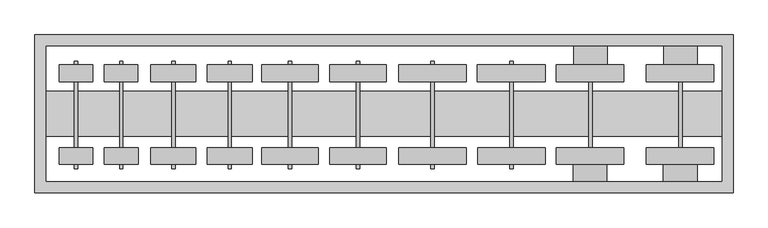
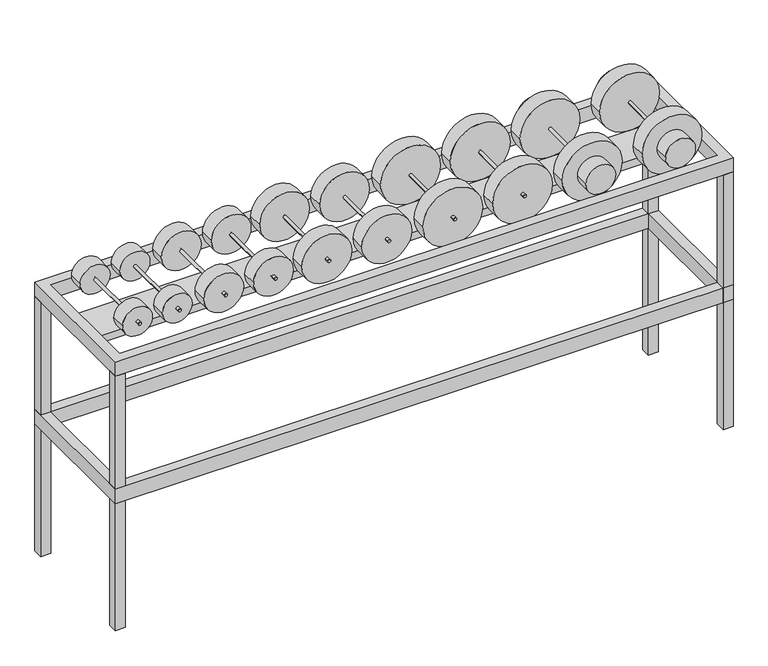
"""IFC4 building model written with IfcOpenShell, lengths in millimetres: proxy geometry."""

from ifc_helpers import new_model, si_unit, point, frame, frame_2d, origin, origin_with_axes, place, context, project, spatial, polyline, circle_curve, trimmed, segment, composite_curve, outline, extrude, source, transform, mapped, element, save


def specialty_equipment_7b80355f(model_context):
    return source(origin(), model_context, "Body", "SweptSolid", [
        extrude(outline(composite_curve([segment(trimmed(circle_curve(frame_2d((154.4606082, 1473.6953579)), 7.8489452), [point((154.4606082, 1481.5443031))], [point((154.4606082, 1465.8464127))], False, "CARTESIAN"), True, "CONTINUOUS"), segment(trimmed(circle_curve(frame_2d((154.4606082, 1473.6953579)), 7.8489452), [point((154.4606082, 1465.8464127))], [point((154.4606082, 1481.5443031))], False, "CARTESIAN"), True, "CONTINUOUS")], self_intersect=False)), frame((0.0, -89.1618249, 0.0), z_axis=(0.0, 1.0, 0.0), x_axis=(0.0, 0.0, 1.0)), (0.0, 0.0, 1.0), 555.3477574),
        extrude(outline(composite_curve([segment(trimmed(circle_curve(frame_2d((154.4606082, 1472.5227651)), 152.4), [point((154.4606082, 1624.9227651))], [point((154.4606082, 1320.1227651))], False, "CARTESIAN"), True, "CONTINUOUS"), segment(trimmed(circle_curve(frame_2d((154.4606082, 1472.5227651)), 152.4), [point((154.4606082, 1320.1227651))], [point((154.4606082, 1624.9227651))], False, "CARTESIAN"), True, "CONTINUOUS")], self_intersect=False)), frame((0.0, -32.5823092, 0.0), z_axis=(0.0, 1.0, 0.0), x_axis=(0.0, 0.0, 1.0)), (0.0, 0.0, 1.0), 76.2),
        extrude(outline(composite_curve([segment(trimmed(circle_curve(frame_2d((154.4606082, 1472.3428206)), 152.4), [point((154.4606082, 1624.7428206))], [point((154.4606082, 1319.9428206))], False, "CARTESIAN"), True, "CONTINUOUS"), segment(trimmed(circle_curve(frame_2d((154.4606082, 1472.3428206)), 152.4), [point((154.4606082, 1319.9428206))], [point((154.4606082, 1624.7428206))], False, "CARTESIAN"), True, "CONTINUOUS")], self_intersect=False)), frame((0.0, 341.3226899, 0.0), z_axis=(0.0, 1.0, 0.0), x_axis=(0.0, 0.0, 1.0)), (0.0, 0.0, 1.0), 76.2),
        extrude(outline(composite_curve([segment(trimmed(circle_curve(frame_2d((154.4606082, 1473.9392515)), 76.2), [point((154.4606082, 1397.7392515))], [point((154.4606082, 1550.1392515))], False, "CARTESIAN"), True, "CONTINUOUS"), segment(trimmed(circle_curve(frame_2d((154.4606082, 1473.9392515)), 76.2), [point((154.4606082, 1550.1392515))], [point((154.4606082, 1397.7392515))], False, "CARTESIAN"), True, "CONTINUOUS")], self_intersect=False)), frame((0.0, 417.5226899, 0.0), z_axis=(0.0, 1.0, 0.0), x_axis=(0.0, 0.0, 1.0)), (0.0, 0.0, 1.0), 83.2665617),
        extrude(outline(composite_curve([segment(trimmed(circle_curve(frame_2d((154.4606082, 1472.2053565)), 76.2), [point((154.4606082, 1396.0053565))], [point((154.4606082, 1548.4053565))], False, "CARTESIAN"), True, "CONTINUOUS"), segment(trimmed(circle_curve(frame_2d((154.4606082, 1472.2053565)), 76.2), [point((154.4606082, 1548.4053565))], [point((154.4606082, 1396.0053565))], False, "CARTESIAN"), True, "CONTINUOUS")], self_intersect=False)), frame((0.0, -108.7823092, 0.0), z_axis=(0.0, 1.0, 0.0), x_axis=(0.0, 0.0, 1.0)), (0.0, 0.0, 1.0), 76.2),
        extrude(outline(composite_curve([segment(trimmed(circle_curve(frame_2d((154.4606082, 1880.0953579)), 7.8489452), [point((154.4606082, 1887.9443031))], [point((154.4606082, 1872.2464127))], False, "CARTESIAN"), True, "CONTINUOUS"), segment(trimmed(circle_curve(frame_2d((154.4606082, 1880.0953579)), 7.8489452), [point((154.4606082, 1872.2464127))], [point((154.4606082, 1887.9443031))], False, "CARTESIAN"), True, "CONTINUOUS")], self_intersect=False)), frame((0.0, -89.1618249, 0.0), z_axis=(0.0, 1.0, 0.0), x_axis=(0.0, 0.0, 1.0)), (0.0, 0.0, 1.0), 555.3477574),
        extrude(outline(composite_curve([segment(trimmed(circle_curve(frame_2d((154.4606082, 1878.9227651)), 152.4), [point((154.4606082, 2031.3227651))], [point((154.4606082, 1726.5227651))], False, "CARTESIAN"), True, "CONTINUOUS"), segment(trimmed(circle_curve(frame_2d((154.4606082, 1878.9227651)), 152.4), [point((154.4606082, 1726.5227651))], [point((154.4606082, 2031.3227651))], False, "CARTESIAN"), True, "CONTINUOUS")], self_intersect=False)), frame((0.0, -32.5823092, 0.0), z_axis=(0.0, 1.0, 0.0), x_axis=(0.0, 0.0, 1.0)), (0.0, 0.0, 1.0), 76.2),
        extrude(outline(composite_curve([segment(trimmed(circle_curve(frame_2d((154.4606082, 1878.7428206)), 152.4), [point((154.4606082, 2031.1428206))], [point((154.4606082, 1726.3428206))], False, "CARTESIAN"), True, "CONTINUOUS"), segment(trimmed(circle_curve(frame_2d((154.4606082, 1878.7428206)), 152.4), [point((154.4606082, 1726.3428206))], [point((154.4606082, 2031.1428206))], False, "CARTESIAN"), True, "CONTINUOUS")], self_intersect=False)), frame((0.0, 341.3226899, 0.0), z_axis=(0.0, 1.0, 0.0), x_axis=(0.0, 0.0, 1.0)), (0.0, 0.0, 1.0), 76.2),
        extrude(outline(composite_curve([segment(trimmed(circle_curve(frame_2d((154.4606082, 1880.3392515)), 76.2), [point((154.4606082, 1804.1392515))], [point((154.4606082, 1956.5392515))], False, "CARTESIAN"), True, "CONTINUOUS"), segment(trimmed(circle_curve(frame_2d((154.4606082, 1880.3392515)), 76.2), [point((154.4606082, 1956.5392515))], [point((154.4606082, 1804.1392515))], False, "CARTESIAN"), True, "CONTINUOUS")], self_intersect=False)), frame((0.0, 417.5226899, 0.0), z_axis=(0.0, 1.0, 0.0), x_axis=(0.0, 0.0, 1.0)), (0.0, 0.0, 1.0), 83.2665617),
        extrude(outline(composite_curve([segment(trimmed(circle_curve(frame_2d((154.4606082, 1878.6053565)), 76.2), [point((154.4606082, 1802.4053565))], [point((154.4606082, 1954.8053565))], False, "CARTESIAN"), True, "CONTINUOUS"), segment(trimmed(circle_curve(frame_2d((154.4606082, 1878.6053565)), 76.2), [point((154.4606082, 1954.8053565))], [point((154.4606082, 1802.4053565))], False, "CARTESIAN"), True, "CONTINUOUS")], self_intersect=False)), frame((0.0, -108.7823092, 0.0), z_axis=(0.0, 1.0, 0.0), x_axis=(0.0, 0.0, 1.0)), (0.0, 0.0, 1.0), 76.2),
        extrude(outline(composite_curve([segment(trimmed(circle_curve(frame_2d((154.4606082, 424.9481175)), 127.0), [point((154.4606082, 551.9481175))], [point((154.4606082, 297.9481175))], False, "CARTESIAN"), True, "CONTINUOUS"), segment(trimmed(circle_curve(frame_2d((154.4606082, 424.9481175)), 127.0), [point((154.4606082, 297.9481175))], [point((154.4606082, 551.9481175))], False, "CARTESIAN"), True, "CONTINUOUS")], self_intersect=False)), frame((0.0, 341.3226899, 0.0), z_axis=(0.0, 1.0, 0.0), x_axis=(0.0, 0.0, 1.0)), (0.0, 0.0, 1.0), 76.2),
        extrude(outline(composite_curve([segment(trimmed(circle_curve(frame_2d((154.4606082, 425.128062)), 7.8489452), [point((154.4606082, 432.9770072))], [point((154.4606082, 417.2791168))], False, "CARTESIAN"), True, "CONTINUOUS"), segment(trimmed(circle_curve(frame_2d((154.4606082, 425.128062)), 7.8489452), [point((154.4606082, 417.2791168))], [point((154.4606082, 432.9770072))], False, "CARTESIAN"), True, "CONTINUOUS")], self_intersect=False)), frame((0.0, -53.073715, 0.0), z_axis=(0.0, 1.0, 0.0), x_axis=(0.0, 0.0, 1.0)), (0.0, 0.0, 1.0), 485.4827264),
        extrude(outline(composite_curve([segment(trimmed(circle_curve(frame_2d((154.4606082, 425.128062)), 127.0), [point((154.4606082, 552.128062))], [point((154.4606082, 298.128062))], False, "CARTESIAN"), True, "CONTINUOUS"), segment(trimmed(circle_curve(frame_2d((154.4606082, 425.128062)), 127.0), [point((154.4606082, 298.128062))], [point((154.4606082, 552.128062))], False, "CARTESIAN"), True, "CONTINUOUS")], self_intersect=False)), frame((0.0, -32.5823092, 0.0), z_axis=(0.0, 1.0, 0.0), x_axis=(0.0, 0.0, 1.0)), (0.0, 0.0, 1.0), 76.2),
        extrude(outline(composite_curve([segment(trimmed(circle_curve(frame_2d((154.4606082, 119.0782088)), 127.0), [point((154.4606082, 246.0782088))], [point((154.4606082, -7.9217912))], False, "CARTESIAN"), True, "CONTINUOUS"), segment(trimmed(circle_curve(frame_2d((154.4606082, 119.0782088)), 127.0), [point((154.4606082, -7.9217912))], [point((154.4606082, 246.0782088))], False, "CARTESIAN"), True, "CONTINUOUS")], self_intersect=False)), frame((0.0, 341.3226899, 0.0), z_axis=(0.0, 1.0, 0.0), x_axis=(0.0, 0.0, 1.0)), (0.0, 0.0, 1.0), 76.2),
        extrude(outline(composite_curve([segment(trimmed(circle_curve(frame_2d((154.4606082, 119.2581533)), 7.8489452), [point((154.4606082, 127.1070985))], [point((154.4606082, 111.4092081))], False, "CARTESIAN"), True, "CONTINUOUS"), segment(trimmed(circle_curve(frame_2d((154.4606082, 119.2581533)), 7.8489452), [point((154.4606082, 111.4092081))], [point((154.4606082, 127.1070985))], False, "CARTESIAN"), True, "CONTINUOUS")], self_intersect=False)), frame((0.0, -53.073715, 0.0), z_axis=(0.0, 1.0, 0.0), x_axis=(0.0, 0.0, 1.0)), (0.0, 0.0, 1.0), 485.4827264),
        extrude(outline(composite_curve([segment(trimmed(circle_curve(frame_2d((154.4606082, 119.2581533)), 127.0), [point((154.4606082, 246.2581533))], [point((154.4606082, -7.7418467))], False, "CARTESIAN"), True, "CONTINUOUS"), segment(trimmed(circle_curve(frame_2d((154.4606082, 119.2581533)), 127.0), [point((154.4606082, -7.7418467))], [point((154.4606082, 246.2581533))], False, "CARTESIAN"), True, "CONTINUOUS")], self_intersect=False)), frame((0.0, -32.5823092, 0.0), z_axis=(0.0, 1.0, 0.0), x_axis=(0.0, 0.0, 1.0)), (0.0, 0.0, 1.0), 76.2),
        extrude(outline(composite_curve([segment(trimmed(circle_curve(frame_2d((154.4606082, -153.2571794)), 101.6), [point((154.4606082, -51.6571794))], [point((154.4606082, -254.8571794))], False, "CARTESIAN"), True, "CONTINUOUS"), segment(trimmed(circle_curve(frame_2d((154.4606082, -153.2571794)), 101.6), [point((154.4606082, -254.8571794))], [point((154.4606082, -51.6571794))], False, "CARTESIAN"), True, "CONTINUOUS")], self_intersect=False)), frame((0.0, 341.3226899, 0.0), z_axis=(0.0, 1.0, 0.0), x_axis=(0.0, 0.0, 1.0)), (0.0, 0.0, 1.0), 76.2),
        extrude(outline(composite_curve([segment(trimmed(circle_curve(frame_2d((154.4606082, -153.0772349)), 7.8489452), [point((154.4606082, -145.2282898))], [point((154.4606082, -160.9261801))], False, "CARTESIAN"), True, "CONTINUOUS"), segment(trimmed(circle_curve(frame_2d((154.4606082, -153.0772349)), 7.8489452), [point((154.4606082, -160.9261801))], [point((154.4606082, -145.2282898))], False, "CARTESIAN"), True, "CONTINUOUS")], self_intersect=False)), frame((0.0, -53.073715, 0.0), z_axis=(0.0, 1.0, 0.0), x_axis=(0.0, 0.0, 1.0)), (0.0, 0.0, 1.0), 485.4827264),
        extrude(outline(composite_curve([segment(trimmed(circle_curve(frame_2d((154.4606082, -153.0772349)), 101.6), [point((154.4606082, -51.4772349))], [point((154.4606082, -254.6772349))], False, "CARTESIAN"), True, "CONTINUOUS"), segment(trimmed(circle_curve(frame_2d((154.4606082, -153.0772349)), 101.6), [point((154.4606082, -254.6772349))], [point((154.4606082, -51.4772349))], False, "CARTESIAN"), True, "CONTINUOUS")], self_intersect=False)), frame((0.0, -32.5823092, 0.0), z_axis=(0.0, 1.0, 0.0), x_axis=(0.0, 0.0, 1.0)), (0.0, 0.0, 1.0), 76.2),
        extrude(outline(composite_curve([segment(trimmed(circle_curve(frame_2d((154.4606082, -407.2571794)), 101.6), [point((154.4606082, -305.6571794))], [point((154.4606082, -508.8571794))], False, "CARTESIAN"), True, "CONTINUOUS"), segment(trimmed(circle_curve(frame_2d((154.4606082, -407.2571794)), 101.6), [point((154.4606082, -508.8571794))], [point((154.4606082, -305.6571794))], False, "CARTESIAN"), True, "CONTINUOUS")], self_intersect=False)), frame((0.0, 341.3226899, 0.0), z_axis=(0.0, 1.0, 0.0), x_axis=(0.0, 0.0, 1.0)), (0.0, 0.0, 1.0), 76.2),
        extrude(outline(composite_curve([segment(trimmed(circle_curve(frame_2d((154.4606082, -407.0772349)), 7.8489452), [point((154.4606082, -399.2282898))], [point((154.4606082, -414.9261801))], False, "CARTESIAN"), True, "CONTINUOUS"), segment(trimmed(circle_curve(frame_2d((154.4606082, -407.0772349)), 7.8489452), [point((154.4606082, -414.9261801))], [point((154.4606082, -399.2282898))], False, "CARTESIAN"), True, "CONTINUOUS")], self_intersect=False)), frame((0.0, -53.073715, 0.0), z_axis=(0.0, 1.0, 0.0), x_axis=(0.0, 0.0, 1.0)), (0.0, 0.0, 1.0), 485.4827264),
        extrude(outline(composite_curve([segment(trimmed(circle_curve(frame_2d((154.4606082, -407.0772349)), 101.6), [point((154.4606082, -305.4772349))], [point((154.4606082, -508.6772349))], False, "CARTESIAN"), True, "CONTINUOUS"), segment(trimmed(circle_curve(frame_2d((154.4606082, -407.0772349)), 101.6), [point((154.4606082, -508.6772349))], [point((154.4606082, -305.4772349))], False, "CARTESIAN"), True, "CONTINUOUS")], self_intersect=False)), frame((0.0, -32.5823092, 0.0), z_axis=(0.0, 1.0, 0.0), x_axis=(0.0, 0.0, 1.0)), (0.0, 0.0, 1.0), 76.2),
        extrude(outline(composite_curve([segment(trimmed(circle_curve(frame_2d((154.4606082, 761.1428206)), 152.4), [point((154.4606082, 913.5428206))], [point((154.4606082, 608.7428206))], False, "CARTESIAN"), True, "CONTINUOUS"), segment(trimmed(circle_curve(frame_2d((154.4606082, 761.1428206)), 152.4), [point((154.4606082, 608.7428206))], [point((154.4606082, 913.5428206))], False, "CARTESIAN"), True, "CONTINUOUS")], self_intersect=False)), frame((0.0, 341.3226899, 0.0), z_axis=(0.0, 1.0, 0.0), x_axis=(0.0, 0.0, 1.0)), (0.0, 0.0, 1.0), 76.2),
        extrude(outline(composite_curve([segment(trimmed(circle_curve(frame_2d((154.4606082, 761.3227651)), 7.8489452), [point((154.4606082, 769.1717102))], [point((154.4606082, 753.4738199))], False, "CARTESIAN"), True, "CONTINUOUS"), segment(trimmed(circle_curve(frame_2d((154.4606082, 761.3227651)), 7.8489452), [point((154.4606082, 753.4738199))], [point((154.4606082, 769.1717102))], False, "CARTESIAN"), True, "CONTINUOUS")], self_intersect=False)), frame((0.0, -53.073715, 0.0), z_axis=(0.0, 1.0, 0.0), x_axis=(0.0, 0.0, 1.0)), (0.0, 0.0, 1.0), 485.4827264),
        extrude(outline(composite_curve([segment(trimmed(circle_curve(frame_2d((154.4606082, 761.3227651)), 152.4), [point((154.4606082, 913.7227651))], [point((154.4606082, 608.9227651))], False, "CARTESIAN"), True, "CONTINUOUS"), segment(trimmed(circle_curve(frame_2d((154.4606082, 761.3227651)), 152.4), [point((154.4606082, 608.9227651))], [point((154.4606082, 913.7227651))], False, "CARTESIAN"), True, "CONTINUOUS")], self_intersect=False)), frame((0.0, -32.5823092, 0.0), z_axis=(0.0, 1.0, 0.0), x_axis=(0.0, 0.0, 1.0)), (0.0, 0.0, 1.0), 76.2),
        extrude(outline(composite_curve([segment(trimmed(circle_curve(frame_2d((154.4606082, 1116.7428206)), 152.4), [point((154.4606082, 1269.1428206))], [point((154.4606082, 964.3428206))], False, "CARTESIAN"), True, "CONTINUOUS"), segment(trimmed(circle_curve(frame_2d((154.4606082, 1116.7428206)), 152.4), [point((154.4606082, 964.3428206))], [point((154.4606082, 1269.1428206))], False, "CARTESIAN"), True, "CONTINUOUS")], self_intersect=False)), frame((0.0, 341.3226899, 0.0), z_axis=(0.0, 1.0, 0.0), x_axis=(0.0, 0.0, 1.0)), (0.0, 0.0, 1.0), 76.2),
        extrude(outline(composite_curve([segment(trimmed(circle_curve(frame_2d((154.4606082, 1116.9227651)), 7.8489452), [point((154.4606082, 1124.7717102))], [point((154.4606082, 1109.0738199))], False, "CARTESIAN"), True, "CONTINUOUS"), segment(trimmed(circle_curve(frame_2d((154.4606082, 1116.9227651)), 7.8489452), [point((154.4606082, 1109.0738199))], [point((154.4606082, 1124.7717102))], False, "CARTESIAN"), True, "CONTINUOUS")], self_intersect=False)), frame((0.0, -53.073715, 0.0), z_axis=(0.0, 1.0, 0.0), x_axis=(0.0, 0.0, 1.0)), (0.0, 0.0, 1.0), 485.4827264),
        extrude(outline(composite_curve([segment(trimmed(circle_curve(frame_2d((154.4606082, 1116.9227651)), 152.4), [point((154.4606082, 1269.3227651))], [point((154.4606082, 964.5227651))], False, "CARTESIAN"), True, "CONTINUOUS"), segment(trimmed(circle_curve(frame_2d((154.4606082, 1116.9227651)), 152.4), [point((154.4606082, 964.5227651))], [point((154.4606082, 1269.3227651))], False, "CARTESIAN"), True, "CONTINUOUS")], self_intersect=False)), frame((0.0, -32.5823092, 0.0), z_axis=(0.0, 1.0, 0.0), x_axis=(0.0, 0.0, 1.0)), (0.0, 0.0, 1.0), 76.2),
        extrude(outline(composite_curve([segment(trimmed(circle_curve(frame_2d((154.4606082, -642.547476)), 7.8489452), [point((154.4606082, -634.6985309))], [point((154.4606082, -650.3964212))], False, "CARTESIAN"), True, "CONTINUOUS"), segment(trimmed(circle_curve(frame_2d((154.4606082, -642.547476)), 7.8489452), [point((154.4606082, -650.3964212))], [point((154.4606082, -634.6985309))], False, "CARTESIAN"), True, "CONTINUOUS")], self_intersect=False)), frame((0.0, -53.073715, 0.0), z_axis=(0.0, 1.0, 0.0), x_axis=(0.0, 0.0, 1.0)), (0.0, 0.0, 1.0), 485.4827264),
        extrude(outline(composite_curve([segment(trimmed(circle_curve(frame_2d((154.4606082, -643.4284427)), 76.2), [point((154.4606082, -719.6284427))], [point((154.4606082, -567.2284427))], False, "CARTESIAN"), True, "CONTINUOUS"), segment(trimmed(circle_curve(frame_2d((154.4606082, -643.4284427)), 76.2), [point((154.4606082, -567.2284427))], [point((154.4606082, -719.6284427))], False, "CARTESIAN"), True, "CONTINUOUS")], self_intersect=False)), frame((0.0, 341.3226899, 0.0), z_axis=(0.0, 1.0, 0.0), x_axis=(0.0, 0.0, 1.0)), (0.0, 0.0, 1.0), 76.2),
        extrude(outline(composite_curve([segment(trimmed(circle_curve(frame_2d((154.4606082, -643.1325506)), 76.2), [point((154.4606082, -719.3325506))], [point((154.4606082, -566.9325506))], False, "CARTESIAN"), True, "CONTINUOUS"), segment(trimmed(circle_curve(frame_2d((154.4606082, -643.1325506)), 76.2), [point((154.4606082, -566.9325506))], [point((154.4606082, -719.3325506))], False, "CARTESIAN"), True, "CONTINUOUS")], self_intersect=False)), frame((0.0, -32.5823092, 0.0), z_axis=(0.0, 1.0, 0.0), x_axis=(0.0, 0.0, 1.0)), (0.0, 0.0, 1.0), 76.2),
        extrude(outline(composite_curve([segment(trimmed(circle_curve(frame_2d((154.4606082, -845.747476)), 7.8489452), [point((154.4606082, -837.8985309))], [point((154.4606082, -853.5964212))], False, "CARTESIAN"), True, "CONTINUOUS"), segment(trimmed(circle_curve(frame_2d((154.4606082, -845.747476)), 7.8489452), [point((154.4606082, -853.5964212))], [point((154.4606082, -837.8985309))], False, "CARTESIAN"), True, "CONTINUOUS")], self_intersect=False)), frame((0.0, -53.073715, 0.0), z_axis=(0.0, 1.0, 0.0), x_axis=(0.0, 0.0, 1.0)), (0.0, 0.0, 1.0), 485.4827264),
        extrude(outline(composite_curve([segment(trimmed(circle_curve(frame_2d((154.4606082, -846.6284427)), 76.2), [point((154.4606082, -922.8284427))], [point((154.4606082, -770.4284427))], False, "CARTESIAN"), True, "CONTINUOUS"), segment(trimmed(circle_curve(frame_2d((154.4606082, -846.6284427)), 76.2), [point((154.4606082, -770.4284427))], [point((154.4606082, -922.8284427))], False, "CARTESIAN"), True, "CONTINUOUS")], self_intersect=False)), frame((0.0, 341.3226899, 0.0), z_axis=(0.0, 1.0, 0.0), x_axis=(0.0, 0.0, 1.0)), (0.0, 0.0, 1.0), 76.2),
        extrude(outline(polyline([(-981.2763254, 94.3892516), (-981.2763254, 297.5892516), (2066.7236746, 297.5892516), (2066.7236746, 94.3892516), (-981.2763254, 94.3892516)])), origin_with_axes(), (0.0, 0.0, 1.0), 38.1),
        extrude(outline(composite_curve([segment(trimmed(circle_curve(frame_2d((154.4606082, -846.3325506)), 76.2), [point((154.4606082, -922.5325506))], [point((154.4606082, -770.1325506))], False, "CARTESIAN"), True, "CONTINUOUS"), segment(trimmed(circle_curve(frame_2d((154.4606082, -846.3325506)), 76.2), [point((154.4606082, -770.1325506))], [point((154.4606082, -922.5325506))], False, "CARTESIAN"), True, "CONTINUOUS")], self_intersect=False)), frame((0.0, -32.5823092, 0.0), z_axis=(0.0, 1.0, 0.0), x_axis=(0.0, 0.0, 1.0)), (0.0, 0.0, 1.0), 76.2),
        extrude(outline(polyline([(-1032.0763254, -159.6107484), (-1032.0763254, 551.5892516), (2117.5236746, 551.5892516), (2117.5236746, -159.6107484), (-1032.0763254, -159.6107484)]), holes=[polyline([(-981.2763254, -108.8107484), (2066.7236746, -108.8107484), (2066.7236746, 500.7892516), (-981.2763254, 500.7892516), (-981.2763254, -108.8107484)])]), frame((0.0, 0.0, -685.8), z_axis=(0.0, 0.0, 1.0), x_axis=(1.0, 0.0, 0.0)), (0.0, 0.0, 1.0), 76.2),
        extrude(outline(polyline([(-981.2763254, 500.7892516), (-1032.0763254, 500.7892516), (-1032.0763254, 551.5892516), (-981.2763254, 551.5892516), (-981.2763254, 500.7892516)])), frame((0.0, 0.0, -1371.6), z_axis=(0.0, 0.0, 1.0), x_axis=(1.0, 0.0, 0.0)), (0.0, 0.0, 1.0), 1371.6),
        extrude(outline(polyline([(-981.2763254, -159.6107484), (-1032.0763254, -159.6107484), (-1032.0763254, -108.8107484), (-981.2763254, -108.8107484), (-981.2763254, -159.6107484)])), frame((0.0, 0.0, -1371.6), z_axis=(0.0, 0.0, 1.0), x_axis=(1.0, 0.0, 0.0)), (0.0, 0.0, 1.0), 1371.6),
        extrude(outline(polyline([(2066.7236746, -159.6107484), (2066.7236746, -108.8107484), (2117.5236746, -108.8107484), (2117.5236746, -159.6107484), (2066.7236746, -159.6107484)])), frame((0.0, 0.0, -1371.6), z_axis=(0.0, 0.0, 1.0), x_axis=(1.0, 0.0, 0.0)), (0.0, 0.0, 1.0), 1371.6),
        extrude(outline(polyline([(2066.7236746, 500.7892516), (2066.7236746, 551.5892516), (2117.5236746, 551.5892516), (2117.5236746, 500.7892516), (2066.7236746, 500.7892516)])), frame((0.0, 0.0, -1371.6), z_axis=(0.0, 0.0, 1.0), x_axis=(1.0, 0.0, 0.0)), (0.0, 0.0, 1.0), 1371.6),
        extrude(outline(polyline([(-1032.0763254, -159.6107484), (-1032.0763254, 551.5892516), (2117.5236746, 551.5892516), (2117.5236746, -159.6107484), (-1032.0763254, -159.6107484)]), holes=[polyline([(-981.2763254, -108.8107484), (2066.7236746, -108.8107484), (2066.7236746, 500.7892516), (-981.2763254, 500.7892516), (-981.2763254, -108.8107484)])]), origin_with_axes(), (0.0, 0.0, 1.0), 76.2),
    ])


if __name__ == "__main__":
    model = new_model("IFC4")
    model_context = context("Model", 3, world=origin())
    ifc_project = project(units=[si_unit("LENGTHUNIT", "METRE", prefix="MILLI")], contexts=[model_context])
    site = spatial("IfcSite", under=ifc_project)
    building = spatial("IfcBuilding", under=site)
    placement = place(None, origin())
    specialty_equipment_shape = specialty_equipment_7b80355f(model_context)
    element("IfcBuildingElementProxy", 1, Name="Specialty Equipment", at=placement, inside=building, context=model_context, shape_type="MappedRepresentation", body=[
        mapped(specialty_equipment_shape, transform((0.0, 0.0, 0.0), x_axis=(1.0, 0.0, 0.0), y_axis=(0.0, 1.0, 0.0), z_axis=(0.0, 0.0, 1.0))),
    ])
    save(model, "model.ifc")
